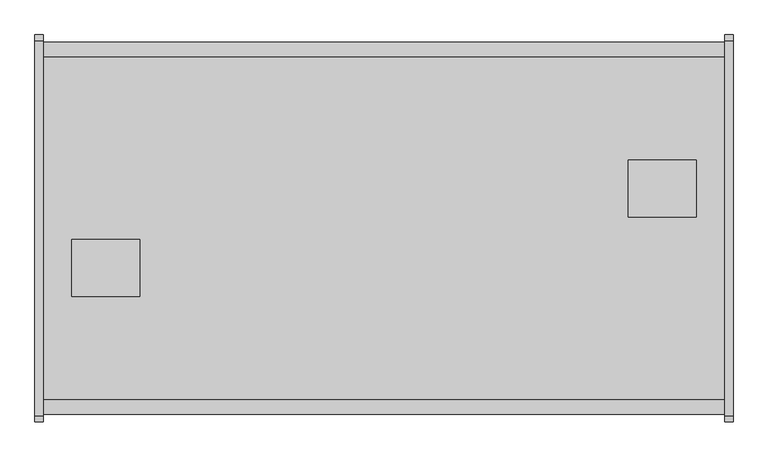
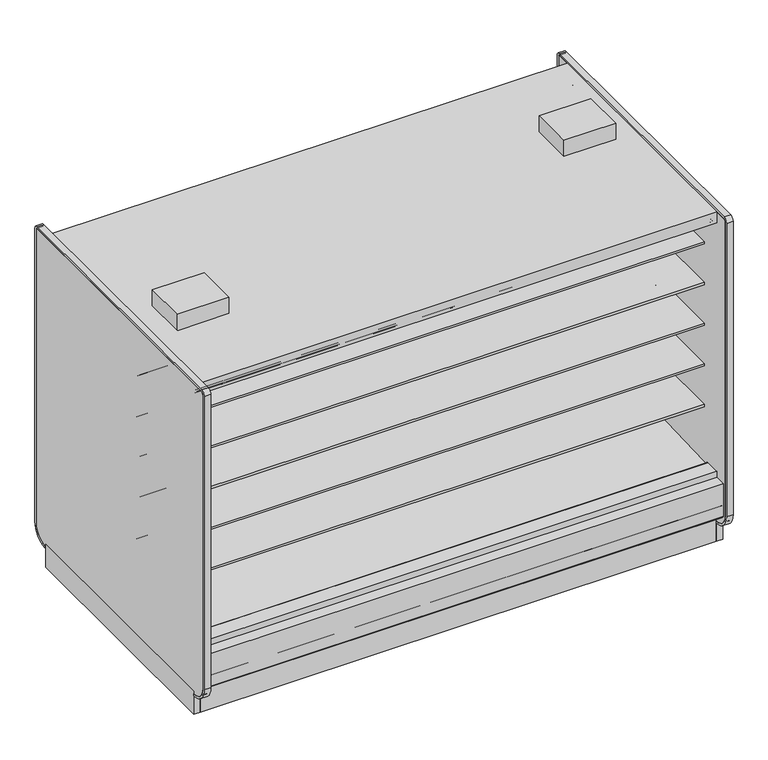
"""IFC4 building model written with IfcOpenShell, lengths in millimetres: proxy geometry."""

from ifc_helpers import new_model, si_unit, point, frame, frame_2d, origin, origin_with_axes, place, context, project, spatial, polyline, circle_curve, trimmed, segment, composite_curve, outline, extrude, source, transform, mapped, element, save
from ifc_brep_helpers import plane_surface, revolved_surface, advanced_brep


def mechanical_equipment_5fd1e4ba(model_context):
    return source(origin(), model_context, "Body", "SolidModel", [
        extrude(outline(polyline([(0.0, -55.2269619), (0.0, 0.0), (3048.0, 0.0), (3048.0, -55.2269619), (0.0, -55.2269619)])), frame((3048.0, 269.4010876, 1960.5227388), z_axis=(0.0, -0.08121412725315148, 0.9966966767951566), x_axis=(-1.0, 0.0, 0.0)), (0.0, 0.0, 1.0), 9.7968943),
        extrude(outline(polyline([(0.0, -55.226962), (0.0, 0.0), (3048.0, 0.0), (3048.0, -55.226962), (0.0, -55.226962)])), frame((3048.0, -1070.8468716, 1965.0079483), z_axis=(0.0, 0.08121412725315148, 0.9966966767951566), x_axis=(-1.0, 0.0, 0.0)), (0.0, 0.0, 1.0), 9.7968943),
        extrude(outline(polyline([(-1113.7914467, 0.0), (-1132.0256273, 0.0), (-1132.0256273, 208.2950835), (-1113.7914467, 192.9947894), (-1113.7914467, 0.0)])), frame((0.0, 0.0, 0.0), z_axis=(1.0, 0.0, 0.0), x_axis=(0.0, 1.0, 0.0)), (0.0, 0.0, 1.0), 3048.0),
        extrude(outline(polyline([(367.3901921, 0.0), (367.3901921, 192.9947894), (385.6243727, 208.2950835), (385.6243727, 0.0), (367.3901921, 0.0)])), frame((0.0, 0.0, 0.0), z_axis=(1.0, 0.0, 0.0), x_axis=(0.0, 1.0, 0.0)), (0.0, 0.0, 1.0), 3048.0),
        extrude(outline(composite_curve([segment(polyline([(-292.5492106, 1191.008004), (-292.5492106, 1291.8182795), (266.2507894, 1291.8182795), (266.2507894, 1278.3245295), (145.7947875, 1278.3245295), (145.7947875, 1274.0402031), (-193.6128858, 1241.429713)]), True, "CONTINUOUS"), segment(trimmed(circle_curve(frame_2d((-186.7598764, 1178.3005893)), 63.5), [point((-193.6128858, 1241.429713))], [point((-226.8243495, 1227.5660741))], True, "CARTESIAN"), True, "CONTINUOUS"), segment(polyline([(-226.8243495, 1227.5660741), (-265.0460501, 1196.4828055)]), True, "CONTINUOUS"), segment(trimmed(circle_curve(frame_2d((-280.9533727, 1215.8477147)), 25.0607786), [point((-265.0460501, 1196.4828055))], [point((-281.4413184, 1190.7916869))], False, "CARTESIAN"), True, "CONTINUOUS"), segment(polyline([(-281.4413184, 1190.7916869), (-292.5492106, 1191.008004)]), True, "CONTINUOUS")], self_intersect=False)), frame((0.0, 0.0, 0.0), z_axis=(1.0, 0.0, 0.0), x_axis=(0.0, 1.0, 0.0)), (0.0, 0.0, 1.0), 3048.0),
        extrude(outline(composite_curve([segment(polyline([(-292.5492106, 1699.008004), (-292.5492106, 1799.8182795), (266.2507894, 1799.8182795), (266.2507894, 1786.3245295), (145.7947875, 1786.3245295), (145.7947875, 1782.0402031), (-193.6128858, 1749.429713)]), True, "CONTINUOUS"), segment(trimmed(circle_curve(frame_2d((-186.7598764, 1686.3005893)), 63.5), [point((-193.6128858, 1749.429713))], [point((-226.8243495, 1735.5660741))], True, "CARTESIAN"), True, "CONTINUOUS"), segment(polyline([(-226.8243495, 1735.5660741), (-265.0460501, 1704.4828055)]), True, "CONTINUOUS"), segment(trimmed(circle_curve(frame_2d((-280.9533727, 1723.8477147)), 25.0607786), [point((-265.0460501, 1704.4828055))], [point((-281.4413184, 1698.7916869))], False, "CARTESIAN"), True, "CONTINUOUS"), segment(polyline([(-281.4413184, 1698.7916869), (-292.5492106, 1699.008004)]), True, "CONTINUOUS")], self_intersect=False)), frame((0.0, 0.0, 0.0), z_axis=(1.0, 0.0, 0.0), x_axis=(0.0, 1.0, 0.0)), (0.0, 0.0, 1.0), 3048.0),
        extrude(outline(composite_curve([segment(polyline([(-292.5492106, 937.4028663), (-292.5492106, 1038.2131418), (266.2507894, 1038.2131418), (266.2507894, 1024.7193918), (145.7947875, 1024.7193918), (145.7947875, 1020.4350654), (-193.6128858, 987.8245753)]), True, "CONTINUOUS"), segment(trimmed(circle_curve(frame_2d((-186.7598764, 924.6954515)), 63.5), [point((-193.6128858, 987.8245753))], [point((-226.8243495, 973.9609363))], True, "CARTESIAN"), True, "CONTINUOUS"), segment(polyline([(-226.8243495, 973.9609363), (-265.0460501, 942.8776678)]), True, "CONTINUOUS"), segment(trimmed(circle_curve(frame_2d((-280.9533727, 962.242577)), 25.0607786), [point((-265.0460501, 942.8776678))], [point((-281.4413184, 937.1865491))], False, "CARTESIAN"), True, "CONTINUOUS"), segment(polyline([(-281.4413184, 937.1865491), (-292.5492106, 937.4028663)]), True, "CONTINUOUS")], self_intersect=False)), frame((0.0, 0.0, 0.0), z_axis=(1.0, 0.0, 0.0), x_axis=(0.0, 1.0, 0.0)), (0.0, 0.0, 1.0), 3048.0),
        extrude(outline(composite_curve([segment(polyline([(-292.5492106, 1445.008004), (-292.5492106, 1545.8182795), (266.2507894, 1545.8182795), (266.2507894, 1532.3245295), (145.7947875, 1532.3245295), (145.7947875, 1528.0402031), (-193.6128858, 1495.429713)]), True, "CONTINUOUS"), segment(trimmed(circle_curve(frame_2d((-186.7598764, 1432.3005893)), 63.5), [point((-193.6128858, 1495.429713))], [point((-226.8243495, 1481.5660741))], True, "CARTESIAN"), True, "CONTINUOUS"), segment(polyline([(-226.8243495, 1481.5660741), (-265.0460501, 1450.4828055)]), True, "CONTINUOUS"), segment(trimmed(circle_curve(frame_2d((-280.9533727, 1469.8477147)), 25.0607786), [point((-265.0460501, 1450.4828055))], [point((-281.4413184, 1444.7916869))], False, "CARTESIAN"), True, "CONTINUOUS"), segment(polyline([(-281.4413184, 1444.7916869), (-292.5492106, 1445.008004)]), True, "CONTINUOUS")], self_intersect=False)), frame((0.0, 0.0, 0.0), z_axis=(1.0, 0.0, 0.0), x_axis=(0.0, 1.0, 0.0)), (0.0, 0.0, 1.0), 3048.0),
        extrude(outline(composite_curve([segment(polyline([(-292.5492106, 683.008004), (-292.5492106, 783.8182795), (266.2507894, 783.8182795), (266.2507894, 770.3245295), (145.7947875, 770.3245295), (145.7947875, 766.0402031), (-193.6128858, 733.429713)]), True, "CONTINUOUS"), segment(trimmed(circle_curve(frame_2d((-186.7598764, 670.3005893)), 63.5), [point((-193.6128858, 733.429713))], [point((-226.8243495, 719.5660741))], True, "CARTESIAN"), True, "CONTINUOUS"), segment(polyline([(-226.8243495, 719.5660741), (-265.0460501, 688.4828055)]), True, "CONTINUOUS"), segment(trimmed(circle_curve(frame_2d((-280.9533727, 707.8477147)), 25.0607786), [point((-265.0460501, 688.4828055))], [point((-281.4413184, 682.7916869))], False, "CARTESIAN"), True, "CONTINUOUS"), segment(polyline([(-281.4413184, 682.7916869), (-292.5492106, 683.008004)]), True, "CONTINUOUS")], self_intersect=False)), frame((0.0, 0.0, 0.0), z_axis=(1.0, 0.0, 0.0), x_axis=(0.0, 1.0, 0.0)), (0.0, 0.0, 1.0), 3048.0),
        extrude(outline(composite_curve([segment(polyline([(-453.852044, 1191.008004), (-464.9599362, 1190.7916869)]), True, "CONTINUOUS"), segment(trimmed(circle_curve(frame_2d((-465.4478819, 1215.8477147)), 25.0607786), [point((-464.9599362, 1190.7916869))], [point((-481.3552045, 1196.4828055))], False, "CARTESIAN"), True, "CONTINUOUS"), segment(polyline([(-481.3552045, 1196.4828055), (-519.5769051, 1227.5660741)]), True, "CONTINUOUS"), segment(trimmed(circle_curve(frame_2d((-559.6413782, 1178.3005893)), 63.5), [point((-519.5769051, 1227.5660741))], [point((-552.7883688, 1241.429713))], True, "CARTESIAN"), True, "CONTINUOUS"), segment(polyline([(-552.7883688, 1241.429713), (-892.1960421, 1274.0402031), (-892.1960421, 1278.3245295), (-1012.652044, 1278.3245295), (-1012.652044, 1291.8182795), (-453.852044, 1291.8182795), (-453.852044, 1191.008004)]), True, "CONTINUOUS")], self_intersect=False)), frame((0.0, 0.0, 0.0), z_axis=(1.0, 0.0, 0.0), x_axis=(0.0, 1.0, 0.0)), (0.0, 0.0, 1.0), 3048.0),
        extrude(outline(composite_curve([segment(polyline([(-453.852044, 1699.008004), (-464.9599362, 1698.7916869)]), True, "CONTINUOUS"), segment(trimmed(circle_curve(frame_2d((-465.4478819, 1723.8477147)), 25.0607786), [point((-464.9599362, 1698.7916869))], [point((-481.3552045, 1704.4828055))], False, "CARTESIAN"), True, "CONTINUOUS"), segment(polyline([(-481.3552045, 1704.4828055), (-519.5769051, 1735.5660741)]), True, "CONTINUOUS"), segment(trimmed(circle_curve(frame_2d((-559.6413782, 1686.3005893)), 63.5), [point((-519.5769051, 1735.5660741))], [point((-552.7883688, 1749.429713))], True, "CARTESIAN"), True, "CONTINUOUS"), segment(polyline([(-552.7883688, 1749.429713), (-892.1960421, 1782.0402031), (-892.1960421, 1786.3245295), (-1012.652044, 1786.3245295), (-1012.652044, 1799.8182795), (-453.852044, 1799.8182795), (-453.852044, 1699.008004)]), True, "CONTINUOUS")], self_intersect=False)), frame((0.0, 0.0, 0.0), z_axis=(1.0, 0.0, 0.0), x_axis=(0.0, 1.0, 0.0)), (0.0, 0.0, 1.0), 3048.0),
        extrude(outline(composite_curve([segment(polyline([(-453.852044, 937.4028663), (-464.9599362, 937.1865491)]), True, "CONTINUOUS"), segment(trimmed(circle_curve(frame_2d((-465.4478819, 962.242577)), 25.0607786), [point((-464.9599362, 937.1865491))], [point((-481.3552045, 942.8776678))], False, "CARTESIAN"), True, "CONTINUOUS"), segment(polyline([(-481.3552045, 942.8776678), (-519.5769051, 973.9609363)]), True, "CONTINUOUS"), segment(trimmed(circle_curve(frame_2d((-559.6413782, 924.6954515)), 63.5), [point((-519.5769051, 973.9609363))], [point((-552.7883688, 987.8245753))], True, "CARTESIAN"), True, "CONTINUOUS"), segment(polyline([(-552.7883688, 987.8245753), (-892.1960421, 1020.4350654), (-892.1960421, 1024.7193918), (-1012.652044, 1024.7193918), (-1012.652044, 1038.2131418), (-453.852044, 1038.2131418), (-453.852044, 937.4028663)]), True, "CONTINUOUS")], self_intersect=False)), frame((0.0, 0.0, 0.0), z_axis=(1.0, 0.0, 0.0), x_axis=(0.0, 1.0, 0.0)), (0.0, 0.0, 1.0), 3048.0),
        extrude(outline(composite_curve([segment(polyline([(-453.852044, 1445.008004), (-464.9599362, 1444.7916869)]), True, "CONTINUOUS"), segment(trimmed(circle_curve(frame_2d((-465.4478819, 1469.8477147)), 25.0607786), [point((-464.9599362, 1444.7916869))], [point((-481.3552045, 1450.4828055))], False, "CARTESIAN"), True, "CONTINUOUS"), segment(polyline([(-481.3552045, 1450.4828055), (-519.5769051, 1481.5660741)]), True, "CONTINUOUS"), segment(trimmed(circle_curve(frame_2d((-559.6413782, 1432.3005893)), 63.5), [point((-519.5769051, 1481.5660741))], [point((-552.7883688, 1495.429713))], True, "CARTESIAN"), True, "CONTINUOUS"), segment(polyline([(-552.7883688, 1495.429713), (-892.1960421, 1528.0402031), (-892.1960421, 1532.3245295), (-1012.652044, 1532.3245295), (-1012.652044, 1545.8182795), (-453.852044, 1545.8182795), (-453.852044, 1445.008004)]), True, "CONTINUOUS")], self_intersect=False)), frame((0.0, 0.0, 0.0), z_axis=(1.0, 0.0, 0.0), x_axis=(0.0, 1.0, 0.0)), (0.0, 0.0, 1.0), 3048.0),
        extrude(outline(polyline([(127.0, -678.0076294), (127.0, -424.0076294), (431.8, -424.0076294), (431.8, -678.0076294), (127.0, -678.0076294)])), frame((0.0, 0.0, 2064.6129579), z_axis=(0.0, 0.0, 1.0), x_axis=(1.0, 0.0, 0.0)), (0.0, 0.0, 1.0), 100.3101563),
        extrude(outline(polyline([(2921.0, -68.4076294), (2921.0, -322.4076294), (2616.2, -322.4076294), (2616.2, -68.4076294), (2921.0, -68.4076294)])), frame((0.0, 0.0, 2064.6129579), z_axis=(0.0, 0.0, 1.0), x_axis=(1.0, 0.0, 0.0)), (0.0, 0.0, 1.0), 100.3101563),
        extrude(outline(composite_curve([segment(polyline([(-113.5046773, 1969.4201079), (-292.5492106, 1969.4201079), (-292.5492106, 445.9092331), (-344.0537782, 445.9092331), (-344.0537782, 1994.8201079), (357.6691327, 1994.8201079), (357.6691327, 1988.6654182)]), True, "CONTINUOUS"), segment(trimmed(circle_curve(frame_2d((355.1291327, 1988.6654182)), 2.54), [point((357.6691327, 1988.6654182))], [point((355.1291327, 1986.1254182))], False, "CARTESIAN"), True, "CONTINUOUS"), segment(polyline([(355.1291327, 1986.1254182), (341.1591327, 1986.1254182)]), True, "CONTINUOUS"), segment(trimmed(circle_curve(frame_2d((341.1591327, 1983.5854182)), 2.54), [point((341.1591327, 1986.1254182))], [point((338.6191327, 1983.5854182))], True, "CARTESIAN"), True, "CONTINUOUS"), segment(polyline([(338.6191327, 1983.5854182), (338.6191327, 1967.9723079)]), True, "CONTINUOUS"), segment(trimmed(circle_curve(frame_2d((336.0791327, 1967.9723079)), 2.54), [point((338.6191327, 1967.9723079))], [point((336.0791327, 1965.4323079))], False, "CARTESIAN"), True, "CONTINUOUS"), segment(polyline([(336.0791327, 1965.4323079), (326.8589327, 1965.4323079)]), True, "CONTINUOUS"), segment(trimmed(circle_curve(frame_2d((326.8589327, 1967.9723079)), 2.54), [point((326.8589327, 1965.4323079))], [point((324.3189327, 1967.9723079))], False, "CARTESIAN"), True, "CONTINUOUS"), segment(polyline([(324.3189327, 1967.9723079), (324.3189327, 1975.6233702), (268.3517007, 1971.0629758), (268.3793925, 1969.4201079), (-113.5046773, 1969.4201079)]), True, "CONTINUOUS")], self_intersect=False)), frame((0.0, 0.0, 0.0), z_axis=(1.0, 0.0, 0.0), x_axis=(0.0, 1.0, 0.0)), (0.0, 0.0, 1.0), 3048.0),
        extrude(outline(composite_curve([segment(polyline([(-292.5492106, 445.9092331), (298.0007894, 423.8521774), (298.0007894, 439.1279)]), True, "CONTINUOUS"), segment(trimmed(circle_curve(frame_2d((300.0581894, 439.1279)), 2.0574), [point((298.0007894, 439.1279))], [point((300.0581894, 441.1853))], False, "CARTESIAN"), True, "CONTINUOUS"), segment(polyline([(300.0581894, 441.1853), (392.3576928, 441.1853), (392.3576928, 284.6079278), (278.9642261, 189.4595117), (263.4186894, 190.0023738), (218.0664947, 157.1934642), (153.5641842, 159.4459345), (113.4809582, 192.9404113), (-344.0537782, 220.4377575), (-344.0537782, 445.9092331), (-292.5492106, 445.9092331)]), True, "CONTINUOUS")], self_intersect=False)), frame((0.0, 0.0, 0.0), z_axis=(1.0, 0.0, 0.0), x_axis=(0.0, 1.0, 0.0)), (0.0, 0.0, 1.0), 3048.0),
        extrude(outline(composite_curve([segment(polyline([(-453.852044, 683.008004), (-464.9599362, 682.7916869)]), True, "CONTINUOUS"), segment(trimmed(circle_curve(frame_2d((-465.4478819, 707.8477147)), 25.0607786), [point((-464.9599362, 682.7916869))], [point((-481.3552045, 688.4828055))], False, "CARTESIAN"), True, "CONTINUOUS"), segment(polyline([(-481.3552045, 688.4828055), (-519.5769051, 719.5660741)]), True, "CONTINUOUS"), segment(trimmed(circle_curve(frame_2d((-559.6413782, 670.3005893)), 63.5), [point((-519.5769051, 719.5660741))], [point((-552.7883688, 733.429713))], True, "CARTESIAN"), True, "CONTINUOUS"), segment(polyline([(-552.7883688, 733.429713), (-892.1960421, 766.0402031), (-892.1960421, 770.3245295), (-1012.652044, 770.3245295), (-1012.652044, 783.8182795), (-453.852044, 783.8182795), (-453.852044, 683.008004)]), True, "CONTINUOUS")], self_intersect=False)), frame((0.0, 0.0, 0.0), z_axis=(1.0, 0.0, 0.0), x_axis=(0.0, 1.0, 0.0)), (0.0, 0.0, 1.0), 3048.0),
        extrude(outline(composite_curve([segment(trimmed(circle_curve(frame_2d((-1200.2881273, 201.3982889)), 6.35), [point((-1197.1139382, 195.8985595))], [point((-1206.6381273, 201.3982889))], False, "CARTESIAN"), True, "CONTINUOUS"), segment(polyline([(-1206.6381273, 201.3982889), (-1206.6381273, 404.6728), (-1138.7589474, 404.6728), (-1138.7589474, 391.9982), (-1189.8487273, 391.9982), (-1189.8487273, 256.8144254), (-1149.7974725, 223.2074323), (-1197.1139382, 195.8985595)]), True, "CONTINUOUS")], self_intersect=False)), frame((0.0, 0.0, 0.0), z_axis=(1.0, 0.0, 0.0), x_axis=(0.0, 1.0, 0.0)), (0.0, 0.0, 1.0), 3048.0),
        extrude(outline(composite_curve([segment(polyline([(450.7126836, 195.8985595), (403.3962179, 223.2074323), (443.4474727, 256.8144254), (443.4474727, 391.9982), (392.3576928, 391.9982), (392.3576928, 404.6728), (460.2368727, 404.6728), (460.2368727, 201.3982889)]), True, "CONTINUOUS"), segment(trimmed(circle_curve(frame_2d((453.8868727, 201.3982889)), 6.35), [point((460.2368727, 201.3982889))], [point((450.7126836, 195.8985595))], False, "CARTESIAN"), True, "CONTINUOUS")], self_intersect=False)), frame((0.0, 0.0, 0.0), z_axis=(1.0, 0.0, 0.0), x_axis=(0.0, 1.0, 0.0)), (0.0, 0.0, 1.0), 3048.0),
        extrude(outline(polyline([(-1039.3495247, 130.5306), (-1189.8487273, 256.8144254), (-1189.8487273, 391.9982), (-1138.7589474, 391.9982), (-1138.7589474, 284.6079278), (-1025.3654807, 189.4595117), (-1009.819944, 190.0023738), (-964.4677493, 157.1934642), (-899.9654388, 159.4459345), (-859.8822128, 192.9404113), (-402.3474764, 220.4377575), (-402.3474764, 1994.8201079), (-1138.7589474, 1994.8201079), (-1138.7589474, 2063.8192079), (392.3576928, 2063.8192079), (392.3576928, 1994.8201079), (-344.0537782, 1994.8201079), (-344.0537782, 220.4377575), (113.4809582, 192.9404113), (153.5641842, 159.4459345), (218.0664947, 157.1934642), (263.4186894, 190.0023738), (278.9642261, 189.4595117), (392.3576928, 284.6079278), (392.3576928, 391.9982), (443.4474727, 391.9982), (443.4474727, 256.8144254), (292.9482701, 130.5306), (-1039.3495247, 130.5306)])), frame((0.0, 0.0, 0.0), z_axis=(1.0, 0.0, 0.0), x_axis=(0.0, 1.0, 0.0)), (0.0, 0.0, 1.0), 3048.0),
        extrude(outline(composite_curve([segment(polyline([(-632.8965773, 1969.4201079), (-1014.7806471, 1969.4201079), (-1014.7529553, 1971.0629758), (-1070.7201873, 1975.6233702), (-1070.7201873, 1967.9723079)]), True, "CONTINUOUS"), segment(trimmed(circle_curve(frame_2d((-1073.2601873, 1967.9723079)), 2.54), [point((-1070.7201873, 1967.9723079))], [point((-1073.2601873, 1965.4323079))], False, "CARTESIAN"), True, "CONTINUOUS"), segment(polyline([(-1073.2601873, 1965.4323079), (-1082.4803873, 1965.4323079)]), True, "CONTINUOUS"), segment(trimmed(circle_curve(frame_2d((-1082.4803873, 1967.9723079)), 2.54), [point((-1082.4803873, 1965.4323079))], [point((-1085.0203873, 1967.9723079))], False, "CARTESIAN"), True, "CONTINUOUS"), segment(polyline([(-1085.0203873, 1967.9723079), (-1085.0203873, 1983.3544856)]), True, "CONTINUOUS"), segment(trimmed(circle_curve(frame_2d((-1087.5603873, 1983.3544856)), 2.54), [point((-1085.0203873, 1983.3544856))], [point((-1087.5603873, 1985.8944856))], True, "CARTESIAN"), True, "CONTINUOUS"), segment(polyline([(-1087.5603873, 1985.8944856), (-1101.5303873, 1985.8944856)]), True, "CONTINUOUS"), segment(trimmed(circle_curve(frame_2d((-1101.5303873, 1988.4344856)), 2.54), [point((-1101.5303873, 1985.8944856))], [point((-1104.0703873, 1988.4344856))], False, "CARTESIAN"), True, "CONTINUOUS"), segment(polyline([(-1104.0703873, 1988.4344856), (-1104.0703873, 1994.8201079), (-402.3474764, 1994.8201079), (-402.3474764, 445.9092331), (-453.852044, 445.9092331), (-453.852044, 1969.4201079), (-632.8965773, 1969.4201079)]), True, "CONTINUOUS")], self_intersect=False)), frame((0.0, 0.0, 0.0), z_axis=(1.0, 0.0, 0.0), x_axis=(0.0, 1.0, 0.0)), (0.0, 0.0, 1.0), 3048.0),
        advanced_brep(
        [(3048.0, -1113.7914467, 192.9947894), (3048.0, -1113.7914467, 0.0), (3048.0, -967.2684832, 0.0), (3048.0, -967.2684832, 130.5306), (3048.0, -1039.3495247, 130.5306), (0.0, -1113.7914467, 192.9947894), (0.0, -1039.3495247, 130.5306), (0.0, -967.2684832, 130.5306), (0.0, -967.2684832, 0.0), (0.0, -1113.7914467, 0.0), (245.6409893, -1113.7914467, 0.0), (245.6409893, -1113.7914467, 50.8), (466.3154811, -1113.7914467, 50.8), (466.3154811, -1113.7914467, 0.0), (466.3154811, -1038.8597182, 0.0), (245.6409893, -1038.8597182, 0.0), (1483.6679654, -967.2684832, 0.0), (1564.3320346, -967.2684832, 0.0), (2784.7614416, -967.2684832, 0.0), (2869.9135584, -967.2684832, 0.0), (2869.9135584, -967.2684832, 127.0), (2784.7614416, -967.2684832, 127.0), (1564.3320346, -967.2684832, 127.0), (1483.6679654, -967.2684832, 127.0), (466.3154811, -1038.8597182, 50.8), (245.6409893, -1038.8597182, 50.8)],
        [
            (0, 1),
            (1, 2),
            (2, 3),
            (3, 4),
            (4, 0),
            (5, 6),
            (6, 7),
            (7, 8),
            (8, 9),
            (9, 5),
            (0, 5),
            (9, 10),
            (10, 11),
            (11, 12),
            (12, 13),
            (13, 1),
            (13, 14),
            (14, 15),
            (15, 10),
            (8, 16),
            (16, 17, circle_curve(frame((1524.0, -936.3821273, 0.0), z_axis=(0.0, 0.0, 1.0), x_axis=(1.0, 0.0, 0.0)), 50.8)),
            (17, 18),
            (18, 19, circle_curve(frame((2827.3375, -939.5571273, 0.0), z_axis=(0.0, 0.0, 1.0), x_axis=(1.0, 0.0, 0.0)), 50.8)),
            (19, 2),
            (19, 20),
            (20, 21),
            (21, 18),
            (17, 22),
            (22, 23),
            (23, 16),
            (7, 3),
            (6, 4),
            (12, 24),
            (24, 14),
            (15, 25),
            (25, 11),
            (24, 25),
            (22, 23, circle_curve(frame((1524.0, -936.3821273, 127.0), z_axis=(0.0, 0.0, -1.0), x_axis=(1.0, 0.0, 0.0)), 50.8)),
            (20, 21, circle_curve(frame((2827.3375, -939.5571273, 127.0), z_axis=(0.0, 0.0, -1.0), x_axis=(1.0, 0.0, 0.0)), 50.8)),
        ],
        [
            plane_surface(frame((3048.0, -1113.7914467, 0.0), z_axis=(1.0, 0.0, 0.0), x_axis=(0.0, 0.0, -1.0))),
            plane_surface(frame((0.0, -1113.7914467, 0.0), z_axis=(-1.0, 0.0, 0.0), x_axis=(0.0, 0.0, 1.0))),
            plane_surface(frame((3048.0, -1113.7914467, 192.9947894), z_axis=(0.0, -1.0, 0.0), x_axis=(-1.0, 0.0, 0.0))),
            plane_surface(frame((3048.0, -1113.7914467, 0.0), z_axis=(0.0, 0.0, -1.0), x_axis=(-1.0, 0.0, 0.0))),
            plane_surface(frame((3048.0, -967.2684832, 0.0), z_axis=(0.0, 1.0, 0.0), x_axis=(-1.0, 0.0, 0.0))),
            plane_surface(frame((3048.0, -967.2684832, 130.5306), z_axis=(0.0, 0.0, 1.0), x_axis=(-1.0, 0.0, 0.0))),
            plane_surface(frame((3048.0, -1039.3495247, 130.5306), z_axis=(0.0, 0.6427876096877102, 0.7660444431179956), x_axis=(-1.0, 0.0, 0.0))),
            plane_surface(frame((466.3154811, -1038.8597182, 0.0), z_axis=(-1.0, 0.0, 0.0), x_axis=(0.0, 1.0, 0.0))),
            plane_surface(frame((245.6409893, -1038.8597182, 0.0), z_axis=(1.0, 0.0, 0.0), x_axis=(0.0, -1.0, 0.0))),
            plane_surface(frame((466.3154811, -1038.8597182, 0.0), z_axis=(0.0, -1.0, 0.0), x_axis=(-1.0, 0.0, 0.0))),
            plane_surface(frame((466.3154811, -1038.8597182, 50.8), z_axis=(0.0, 0.0, -1.0), x_axis=(-1.0, 0.0, 0.0))),
            plane_surface(frame((1574.8, -936.3821273, 127.0), z_axis=(0.0, 0.0, -1.0), x_axis=(0.0, 1.0, 0.0))),
            revolved_surface(polyline([(1574.8, -936.3821273, 127.0), (1574.8, -936.3821273, 0.0)]), (1524.0, -936.3821273, 0.0), (0.0, 0.0, 1.0)),
            plane_surface(frame((2878.1375, -939.5571273, 127.0), z_axis=(0.0, 0.0, -1.0), x_axis=(0.0, 1.0, 0.0))),
            revolved_surface(polyline([(2878.1375000000003, -939.5571273, 127.0), (2878.1375000000003, -939.5571273, 0.0)]), (2827.3375, -939.5571273, 0.0), (0.0, 0.0, 1.0)),
        ],
        [
            (0, [[1, 2, 3, 4, 5]]),
            (1, [[6, 7, 8, 9, 10]]),
            (2, [[-1, 11, -10, 12, 13, 14, 15, 16]]),
            (3, [[-2, -16, 17, 18, 19, -12, -9, 20, 21, 22, 23, 24]]),
            (4, [[-3, -24, 25, 26, 27, -22, 28, 29, 30, -20, -8, 31]]),
            (5, [[-4, -31, -7, 32]]),
            (6, [[-5, -32, -6, -11]]),
            (7, [[33, 34, -17, -15]]),
            (8, [[35, 36, -13, -19]]),
            (9, [[-34, 37, -35, -18]]),
            (10, [[-33, -14, -36, -37]]),
            (11, [[38, -29]]),
            (12, [[-38, -28, -21, -30]]),
            (13, [[39, -26]]),
            (14, [[-39, -25, -23, -27]]),
        ],
    ),
        advanced_brep(
        [(3048.0, 367.3901921, 192.9947894), (3048.0, 292.9482701, 130.5306), (3048.0, 220.8672286, 130.5306), (3048.0, 220.8672286, 0.0), (3048.0, 367.3901921, 0.0), (0.0, 367.3901921, 192.9947894), (0.0, 367.3901921, 0.0), (0.0, 220.8672286, 0.0), (0.0, 220.8672286, 130.5306), (0.0, 292.9482701, 130.5306), (2040.3590107, 367.3901921, 50.8), (2040.3590107, 292.4584636, 50.8), (1819.6845189, 292.4584636, 50.8), (1819.6845189, 367.3901921, 50.8), (1819.6845189, 292.4584636, 0.0), (1819.6845189, 367.3901921, 0.0), (2040.3590107, 292.4584636, 0.0), (2040.3590107, 367.3901921, 0.0), (178.0864416, 220.8672286, 127.0), (263.2385584, 220.8672286, 127.0), (178.0864416, 220.8672286, 0.0), (263.2385584, 220.8672286, 0.0), (1483.6679654, 220.8672286, 127.0), (1564.3320346, 220.8672286, 127.0), (1483.6679654, 220.8672286, 0.0), (1564.3320346, 220.8672286, 0.0)],
        [
            (0, 1),
            (1, 2),
            (2, 3),
            (3, 4),
            (4, 0),
            (5, 6),
            (6, 7),
            (7, 8),
            (8, 9),
            (9, 5),
            (10, 11),
            (11, 12),
            (12, 13),
            (13, 10),
            (12, 14),
            (14, 15),
            (15, 13),
            (11, 16),
            (16, 14),
            (10, 17),
            (17, 16),
            (18, 19, circle_curve(frame((220.6625, 193.1558727, 127.0), z_axis=(0.0, 0.0, -1.0), x_axis=(-1.0, 0.0, 0.0)), 50.8)),
            (19, 18),
            (18, 20),
            (20, 21, circle_curve(frame((220.6625, 193.1558727, 0.0), z_axis=(0.0, 0.0, -1.0), x_axis=(-1.0, 0.0, 0.0)), 50.8)),
            (21, 19),
            (22, 23, circle_curve(frame((1524.0, 189.9808727, 127.0), z_axis=(0.0, 0.0, -1.0), x_axis=(1.0, 0.0, 0.0)), 50.8)),
            (23, 22),
            (22, 24),
            (24, 25, circle_curve(frame((1524.0, 189.9808727, 0.0), z_axis=(0.0, 0.0, -1.0), x_axis=(1.0, 0.0, 0.0)), 50.8)),
            (25, 23),
            (0, 5),
            (9, 1),
            (8, 2),
            (7, 20),
            (21, 24),
            (25, 3),
            (6, 15),
            (17, 4),
        ],
        [
            plane_surface(frame((3048.0, -1113.7914467, 0.0), z_axis=(1.0, 0.0, 0.0), x_axis=(0.0, 0.0, -1.0))),
            plane_surface(frame((0.0, -1113.7914467, 0.0), z_axis=(-1.0, 0.0, 0.0), x_axis=(0.0, 0.0, 1.0))),
            plane_surface(frame((1819.6845189, 367.3901921, 50.8), z_axis=(0.0, 0.0, -1.0), x_axis=(0.0, -1.0, 0.0))),
            plane_surface(frame((1819.6845189, 367.3901921, 50.8), z_axis=(1.0, 0.0, 0.0), x_axis=(0.0, 0.0, -1.0))),
            plane_surface(frame((1819.6845189, 292.4584636, 50.8), z_axis=(0.0, 1.0, 0.0), x_axis=(0.0, 0.0, -1.0))),
            plane_surface(frame((2040.3590107, 292.4584636, 50.8), z_axis=(-1.0, 0.0, 0.0), x_axis=(0.0, 0.0, -1.0))),
            plane_surface(frame((169.8625, 193.1558727, 127.0), z_axis=(0.0, 0.0, -1.0), x_axis=(0.0, -1.0, 0.0))),
            revolved_surface(polyline([(169.8625, 193.1558727, 127.0), (169.8625, 193.1558727, 0.0)]), (220.6625, 193.1558727, 0.0), (0.0, 0.0, 1.0)),
            plane_surface(frame((1574.8, 189.9808727, 127.0), z_axis=(0.0, 0.0, -1.0), x_axis=(0.0, 1.0, 0.0))),
            revolved_surface(polyline([(1574.8, 189.9808727, 127.0), (1574.8, 189.9808727, 0.0)]), (1524.0, 189.9808727, 0.0), (0.0, 0.0, 1.0)),
            plane_surface(frame((3048.0, 367.3901921, 192.9947894), z_axis=(0.0, -0.6427876096877103, 0.7660444431179955), x_axis=(-1.0, 0.0, 0.0))),
            plane_surface(frame((3048.0, 292.9482701, 130.5306), z_axis=(0.0, 0.0, 1.0), x_axis=(-1.0, 0.0, 0.0))),
            plane_surface(frame((3048.0, 220.8672286, 130.5306), z_axis=(0.0, -1.0, 0.0), x_axis=(-1.0, 0.0, 0.0))),
            plane_surface(frame((3048.0, 220.8672286, 0.0), z_axis=(0.0, 0.0, -1.0), x_axis=(-1.0, 0.0, 0.0))),
            plane_surface(frame((3048.0, 367.3901921, 0.0), z_axis=(0.0, 1.0, 0.0), x_axis=(-1.0, 0.0, 0.0))),
        ],
        [
            (0, [[1, 2, 3, 4, 5]]),
            (1, [[6, 7, 8, 9, 10]]),
            (2, [[11, 12, 13, 14]]),
            (3, [[-13, 15, 16, 17]]),
            (4, [[-12, 18, 19, -15]]),
            (5, [[-11, 20, 21, -18]]),
            (6, [[22, 23]]),
            (7, [[-22, 24, 25, 26]]),
            (8, [[27, 28]]),
            (9, [[-27, 29, 30, 31]]),
            (10, [[-1, 32, -10, 33]]),
            (11, [[-2, -33, -9, 34]]),
            (12, [[-3, -34, -8, 35, -24, -23, -26, 36, -29, -28, -31, 37]]),
            (13, [[-4, -37, -30, -36, -25, -35, -7, 38, -16, -19, -21, 39]]),
            (14, [[-5, -39, -20, -14, -17, -38, -6, -32]]),
        ],
    ),
        advanced_brep(
        [(3048.0, -967.2684832, 0.0), (3048.0, -921.3326273, 0.0), (3048.0, -921.3326273, 74.8810382), (3048.0, 174.9313727, 74.8810382), (3048.0, 174.9313727, 0.0), (3048.0, 220.8672286, 0.0), (3048.0, 220.8672286, 130.5306), (3048.0, -967.2684832, 130.5306), (0.0, -967.2684832, 0.0), (0.0, -967.2684832, 130.5306), (0.0, 220.8672286, 130.5306), (0.0, 220.8672286, 0.0), (0.0, 174.9313727, 0.0), (0.0, 174.9313727, 74.8810382), (0.0, -921.3326273, 74.8810382), (0.0, -921.3326273, 0.0), (1483.6679654, -967.2684832, 0.0), (1483.6679654, -967.2684832, 127.0), (1564.3320346, -967.2684832, 127.0), (1564.3320346, -967.2684832, 0.0), (2784.7614416, -967.2684832, 0.0), (2784.7614416, -967.2684832, 127.0), (2869.9135584, -967.2684832, 127.0), (2869.9135584, -967.2684832, 0.0), (2878.1375, -939.5571273, 0.0), (2874.755931, -921.3326273, 0.0), (1475.48039, -921.3326273, 0.0), (1473.2, -936.3821273, 0.0), (1574.8, -936.3821273, 0.0), (1572.51961, -921.3326273, 0.0), (2779.919069, -921.3326273, 0.0), (2776.5375, -939.5571273, 0.0), (2874.755931, -921.3326273, 74.8810382), (1475.48039, -921.3326273, 74.8810382), (1572.51961, -921.3326273, 74.8810382), (2779.919069, -921.3326273, 74.8810382), (173.244069, 174.9313727, 74.8810382), (268.080931, 174.9313727, 74.8810382), (1475.48039, 174.9313727, 74.8810382), (1572.51961, 174.9313727, 74.8810382), (1473.2, -936.3821273, 127.0), (1574.8, -936.3821273, 127.0), (2776.5375, -939.5571273, 127.0), (2878.1375, -939.5571273, 127.0), (1572.51961, 174.9313727, 0.0), (173.244069, 174.9313727, 0.0), (268.080931, 174.9313727, 0.0), (1475.48039, 174.9313727, 0.0), (1574.8, 189.9808727, 0.0), (1564.3320346, 220.8672286, 0.0), (178.0864416, 220.8672286, 0.0), (169.8625, 193.1558727, 0.0), (271.4625, 193.1558727, 0.0), (263.2385584, 220.8672286, 0.0), (1483.6679654, 220.8672286, 0.0), (1473.2, 189.9808727, 0.0), (1564.3320346, 220.8672286, 127.0), (1483.6679654, 220.8672286, 127.0), (263.2385584, 220.8672286, 127.0), (178.0864416, 220.8672286, 127.0), (271.4625, 193.1558727, 127.0), (169.8625, 193.1558727, 127.0), (1574.8, 189.9808727, 127.0), (1473.2, 189.9808727, 127.0)],
        [
            (0, 1),
            (1, 2),
            (2, 3),
            (3, 4),
            (4, 5),
            (5, 6),
            (6, 7),
            (7, 0),
            (8, 9),
            (9, 10),
            (10, 11),
            (11, 12),
            (12, 13),
            (13, 14),
            (14, 15),
            (15, 8),
            (6, 10),
            (9, 7),
            (8, 16),
            (16, 17),
            (17, 18),
            (18, 19),
            (19, 20),
            (20, 21),
            (21, 22),
            (22, 23),
            (23, 0),
            (23, 24, circle_curve(frame((2827.3375, -939.5571273, 0.0), z_axis=(0.0, 0.0, 1.0), x_axis=(1.0, 0.0, 0.0)), 50.8)),
            (24, 25, circle_curve(frame((2827.3375, -939.5571273, 0.0), z_axis=(0.0, 0.0, 1.0), x_axis=(1.0, 0.0, 0.0)), 50.8)),
            (25, 1),
            (15, 26),
            (26, 27, circle_curve(frame((1524.0, -936.3821273, 0.0), z_axis=(0.0, 0.0, 1.0), x_axis=(1.0, 0.0, 0.0)), 50.8)),
            (27, 16, circle_curve(frame((1524.0, -936.3821273, 0.0), z_axis=(0.0, 0.0, 1.0), x_axis=(1.0, 0.0, 0.0)), 50.8)),
            (19, 28, circle_curve(frame((1524.0, -936.3821273, 0.0), z_axis=(0.0, 0.0, 1.0), x_axis=(1.0, 0.0, 0.0)), 50.8)),
            (28, 29, circle_curve(frame((1524.0, -936.3821273, 0.0), z_axis=(0.0, 0.0, 1.0), x_axis=(1.0, 0.0, 0.0)), 50.8)),
            (29, 30),
            (30, 31, circle_curve(frame((2827.3375, -939.5571273, 0.0), z_axis=(0.0, 0.0, 1.0), x_axis=(1.0, 0.0, 0.0)), 50.8)),
            (31, 20, circle_curve(frame((2827.3375, -939.5571273, 0.0), z_axis=(0.0, 0.0, 1.0), x_axis=(1.0, 0.0, 0.0)), 50.8)),
            (25, 32),
            (32, 2),
            (14, 33),
            (33, 26),
            (29, 34),
            (34, 35),
            (35, 30),
            (32, 35, circle_curve(frame((2827.3375, -939.5571273, 74.8810382), z_axis=(0.0, 0.0, 1.0), x_axis=(1.0, 0.0, 0.0)), 50.8)),
            (34, 33, circle_curve(frame((1524.0, -936.3821273, 74.8810382), z_axis=(0.0, 0.0, 1.0), x_axis=(1.0, 0.0, 0.0)), 50.8)),
            (13, 36),
            (36, 37, circle_curve(frame((220.6625, 193.1558727, 74.8810382), z_axis=(0.0, 0.0, 1.0), x_axis=(-1.0, 0.0, 0.0)), 50.8)),
            (37, 38),
            (38, 39, circle_curve(frame((1524.0, 189.9808727, 74.8810382), z_axis=(0.0, 0.0, 1.0), x_axis=(1.0, 0.0, 0.0)), 50.8)),
            (39, 3),
            (40, 41, circle_curve(frame((1524.0, -936.3821273, 127.0), z_axis=(0.0, 0.0, -1.0), x_axis=(1.0, 0.0, 0.0)), 50.8)),
            (41, 18, circle_curve(frame((1524.0, -936.3821273, 127.0), z_axis=(0.0, 0.0, -1.0), x_axis=(1.0, 0.0, 0.0)), 50.8)),
            (17, 40, circle_curve(frame((1524.0, -936.3821273, 127.0), z_axis=(0.0, 0.0, -1.0), x_axis=(1.0, 0.0, 0.0)), 50.8)),
            (41, 28),
            (27, 40),
            (42, 43, circle_curve(frame((2827.3375, -939.5571273, 127.0), z_axis=(0.0, 0.0, -1.0), x_axis=(1.0, 0.0, 0.0)), 50.8)),
            (43, 22, circle_curve(frame((2827.3375, -939.5571273, 127.0), z_axis=(0.0, 0.0, -1.0), x_axis=(1.0, 0.0, 0.0)), 50.8)),
            (21, 42, circle_curve(frame((2827.3375, -939.5571273, 127.0), z_axis=(0.0, 0.0, -1.0), x_axis=(1.0, 0.0, 0.0)), 50.8)),
            (43, 24),
            (31, 42),
            (39, 44),
            (44, 4),
            (12, 45),
            (45, 36),
            (37, 46),
            (46, 47),
            (47, 38),
            (44, 48, circle_curve(frame((1524.0, 189.9808727, 0.0), z_axis=(0.0, 0.0, 1.0), x_axis=(1.0, 0.0, 0.0)), 50.8)),
            (48, 49, circle_curve(frame((1524.0, 189.9808727, 0.0), z_axis=(0.0, 0.0, 1.0), x_axis=(1.0, 0.0, 0.0)), 50.8)),
            (49, 5),
            (11, 50),
            (50, 51, circle_curve(frame((220.6625, 193.1558727, 0.0), z_axis=(0.0, 0.0, 1.0), x_axis=(-1.0, 0.0, 0.0)), 50.8)),
            (51, 45, circle_curve(frame((220.6625, 193.1558727, 0.0), z_axis=(0.0, 0.0, 1.0), x_axis=(-1.0, 0.0, 0.0)), 50.8)),
            (52, 53, circle_curve(frame((220.6625, 193.1558727, 0.0), z_axis=(0.0, 0.0, 1.0), x_axis=(-1.0, 0.0, 0.0)), 50.8)),
            (53, 54),
            (54, 55, circle_curve(frame((1524.0, 189.9808727, 0.0), z_axis=(0.0, 0.0, 1.0), x_axis=(1.0, 0.0, 0.0)), 50.8)),
            (55, 47, circle_curve(frame((1524.0, 189.9808727, 0.0), z_axis=(0.0, 0.0, 1.0), x_axis=(1.0, 0.0, 0.0)), 50.8)),
            (46, 52, circle_curve(frame((220.6625, 193.1558727, 0.0), z_axis=(0.0, 0.0, 1.0), x_axis=(-1.0, 0.0, 0.0)), 50.8)),
            (49, 56),
            (56, 57),
            (57, 54),
            (53, 58),
            (58, 59),
            (59, 50),
            (60, 61, circle_curve(frame((220.6625, 193.1558727, 127.0), z_axis=(0.0, 0.0, -1.0), x_axis=(-1.0, 0.0, 0.0)), 50.8)),
            (61, 59, circle_curve(frame((220.6625, 193.1558727, 127.0), z_axis=(0.0, 0.0, -1.0), x_axis=(-1.0, 0.0, 0.0)), 50.8)),
            (58, 60, circle_curve(frame((220.6625, 193.1558727, 127.0), z_axis=(0.0, 0.0, -1.0), x_axis=(-1.0, 0.0, 0.0)), 50.8)),
            (52, 60),
            (61, 51),
            (62, 63, circle_curve(frame((1524.0, 189.9808727, 127.0), z_axis=(0.0, 0.0, -1.0), x_axis=(1.0, 0.0, 0.0)), 50.8)),
            (63, 57, circle_curve(frame((1524.0, 189.9808727, 127.0), z_axis=(0.0, 0.0, -1.0), x_axis=(1.0, 0.0, 0.0)), 50.8)),
            (56, 62, circle_curve(frame((1524.0, 189.9808727, 127.0), z_axis=(0.0, 0.0, -1.0), x_axis=(1.0, 0.0, 0.0)), 50.8)),
            (48, 62),
            (63, 55),
        ],
        [
            plane_surface(frame((3048.0, -921.3326273, 0.0), z_axis=(1.0, 0.0, 0.0), x_axis=(0.0, 1.0, 0.0))),
            plane_surface(frame((0.0, -921.3326273, 0.0), z_axis=(-1.0, 0.0, 0.0), x_axis=(0.0, -1.0, 0.0))),
            plane_surface(frame((3048.0, 220.8672286, 130.5306), z_axis=(0.0, 0.0, 1.0), x_axis=(-1.0, 0.0, 0.0))),
            plane_surface(frame((3048.0, -967.2684832, 130.5306), z_axis=(0.0, -1.0, 0.0), x_axis=(-1.0, 0.0, 0.0))),
            plane_surface(frame((3048.0, -967.2684832, 0.0), z_axis=(0.0, 0.0, -1.0), x_axis=(-1.0, 0.0, 0.0))),
            plane_surface(frame((3048.0, -921.3326273, 0.0), z_axis=(0.0, 1.0, 0.0), x_axis=(-1.0, 0.0, 0.0))),
            plane_surface(frame((3048.0, -921.3326273, 74.8810382), z_axis=(0.0, 0.0, -1.0), x_axis=(-1.0, 0.0, 0.0))),
            plane_surface(frame((1574.8, -936.3821273, 127.0), z_axis=(0.0, 0.0, -1.0), x_axis=(0.0, 1.0, 0.0))),
            revolved_surface(polyline([(1574.8, -936.3821273, 127.0), (1574.8, -936.3821273, 0.0)]), (1524.0, -936.3821273, 0.0), (0.0, 0.0, 1.0)),
            plane_surface(frame((2878.1375, -939.5571273, 127.0), z_axis=(0.0, 0.0, -1.0), x_axis=(0.0, 1.0, 0.0))),
            revolved_surface(polyline([(2878.1375000000003, -939.5571273, 127.0), (2878.1375000000003, -939.5571273, 0.0)]), (2827.3375, -939.5571273, 0.0), (0.0, 0.0, 1.0)),
            plane_surface(frame((3048.0, 174.9313727, 74.8810382), z_axis=(0.0, -1.0, 0.0), x_axis=(-1.0, 0.0, 0.0))),
            plane_surface(frame((3048.0, 174.9313727, 0.0), z_axis=(0.0, 0.0, -1.0), x_axis=(-1.0, 0.0, 0.0))),
            plane_surface(frame((3048.0, 220.8672286, 0.0), z_axis=(0.0, 1.0, 0.0), x_axis=(-1.0, 0.0, 0.0))),
            plane_surface(frame((169.8625, 193.1558727, 127.0), z_axis=(0.0, 0.0, -1.0), x_axis=(0.0, -1.0, 0.0))),
            revolved_surface(polyline([(169.8625, 193.1558727, 127.0), (169.8625, 193.1558727, 0.0)]), (220.6625, 193.1558727, 0.0), (0.0, 0.0, 1.0)),
            plane_surface(frame((1574.8, 189.9808727, 127.0), z_axis=(0.0, 0.0, -1.0), x_axis=(0.0, 1.0, 0.0))),
            revolved_surface(polyline([(1574.8, 189.9808727, 127.0), (1574.8, 189.9808727, 0.0)]), (1524.0, 189.9808727, 0.0), (0.0, 0.0, 1.0)),
        ],
        [
            (0, [[1, 2, 3, 4, 5, 6, 7, 8]]),
            (1, [[9, 10, 11, 12, 13, 14, 15, 16]]),
            (2, [[-7, 17, -10, 18]]),
            (3, [[-8, -18, -9, 19, 20, 21, 22, 23, 24, 25, 26, 27]]),
            (4, [[-1, -27, 28, 29, 30]]),
            (4, [[-16, 31, 32, 33, -19]]),
            (4, [[34, 35, 36, 37, 38, -23]]),
            (5, [[-2, -30, 39, 40]]),
            (5, [[-15, 41, 42, -31]]),
            (5, [[43, 44, 45, -36]]),
            (6, [[-3, -40, 46, -44, 47, -41, -14, 48, 49, 50, 51, 52]]),
            (7, [[53, 54, -21, 55]]),
            (8, [[56, -34, -22, -54]]),
            (8, [[57, -55, -20, -33]]),
            (8, [[-53, -57, -32, -42, -47, -43, -35, -56]]),
            (9, [[58, 59, -25, 60]]),
            (10, [[61, -28, -26, -59]]),
            (10, [[62, -60, -24, -38]]),
            (10, [[-58, -62, -37, -45, -46, -39, -29, -61]]),
            (11, [[-4, -52, 63, 64]]),
            (11, [[-13, 65, 66, -48]]),
            (11, [[67, 68, 69, -50]]),
            (12, [[-5, -64, 70, 71, 72]]),
            (12, [[-12, 73, 74, 75, -65]]),
            (12, [[76, 77, 78, 79, -68, 80]]),
            (13, [[-6, -72, 81, 82, 83, -77, 84, 85, 86, -73, -11, -17]]),
            (14, [[87, 88, -85, 89]]),
            (15, [[90, -89, -84, -76]]),
            (15, [[91, -74, -86, -88]]),
            (15, [[-87, -90, -80, -67, -49, -66, -75, -91]]),
            (16, [[92, 93, -82, 94]]),
            (17, [[95, -94, -81, -71]]),
            (17, [[96, -78, -83, -93]]),
            (17, [[-92, -95, -70, -63, -51, -69, -79, -96]]),
        ],
    ),
        extrude(outline(composite_curve([segment(polyline([(-453.852044, 445.9092331), (-402.3474764, 445.9092331), (-402.3474764, 220.4377575), (-859.8822128, 192.9404113), (-899.9654388, 159.4459345), (-964.4677493, 157.1934642), (-1009.819944, 190.0023738), (-1025.3654807, 189.4595117), (-1138.7589474, 284.6079278), (-1138.7589474, 441.1853), (-1046.459444, 441.1853)]), True, "CONTINUOUS"), segment(trimmed(circle_curve(frame_2d((-1046.459444, 439.1279)), 2.0574), [point((-1046.459444, 441.1853))], [point((-1044.402044, 439.1279))], False, "CARTESIAN"), True, "CONTINUOUS"), segment(polyline([(-1044.402044, 439.1279), (-1044.402044, 423.8521774), (-453.852044, 445.9092331)]), True, "CONTINUOUS")], self_intersect=False)), frame((0.0, 0.0, 0.0), z_axis=(1.0, 0.0, 0.0), x_axis=(0.0, 1.0, 0.0)), (0.0, 0.0, 1.0), 3048.0),
        extrude(outline(composite_curve([segment(polyline([(-1239.5946273, 219.4306), (-1239.5946273, 2051.05)]), True, "CONTINUOUS"), segment(trimmed(circle_curve(frame_2d((-1214.1946273, 2051.05)), 25.4), [point((-1239.5946273, 2051.05))], [point((-1214.1946273, 2076.45))], False, "CARTESIAN"), True, "CONTINUOUS"), segment(polyline([(-1214.1946273, 2076.45), (467.7933727, 2076.45)]), True, "CONTINUOUS"), segment(trimmed(circle_curve(frame_2d((467.7933727, 2051.05)), 25.4), [point((467.7933727, 2076.45))], [point((493.1933727, 2051.05))], False, "CARTESIAN"), True, "CONTINUOUS"), segment(polyline([(493.1933727, 2051.05), (493.1933727, 219.4306)]), True, "CONTINUOUS"), segment(trimmed(circle_curve(frame_2d((391.5933727, 219.4306)), 101.6), [point((493.1933727, 219.4306))], [point((391.5933727, 117.8306))], False, "CARTESIAN"), True, "CONTINUOUS"), segment(polyline([(391.5933727, 117.8306), (385.6243727, 117.8306), (385.6243727, 130.5306), (391.5933727, 130.5306)]), True, "CONTINUOUS"), segment(trimmed(circle_curve(frame_2d((391.5933727, 219.4306)), 88.9), [point((391.5933727, 130.5306))], [point((480.4933727, 219.4306))], True, "CARTESIAN"), True, "CONTINUOUS"), segment(polyline([(480.4933727, 219.4306), (480.4933727, 2051.05)]), True, "CONTINUOUS"), segment(trimmed(circle_curve(frame_2d((467.7933727, 2051.05)), 12.7), [point((480.4933727, 2051.05))], [point((467.7933727, 2063.75))], True, "CARTESIAN"), True, "CONTINUOUS"), segment(polyline([(467.7933727, 2063.75), (-1214.1946273, 2063.75)]), True, "CONTINUOUS"), segment(trimmed(circle_curve(frame_2d((-1214.1946273, 2051.05)), 12.7), [point((-1214.1946273, 2063.75))], [point((-1226.8946273, 2051.05))], True, "CARTESIAN"), True, "CONTINUOUS"), segment(polyline([(-1226.8946273, 2051.05), (-1226.8946273, 219.4306)]), True, "CONTINUOUS"), segment(trimmed(circle_curve(frame_2d((-1137.9946273, 219.4306)), 88.9), [point((-1226.8946273, 219.4306))], [point((-1137.9946273, 130.5306))], True, "CARTESIAN"), True, "CONTINUOUS"), segment(polyline([(-1137.9946273, 130.5306), (-1132.0256273, 130.5306), (-1132.0256273, 117.8306), (-1137.9946273, 117.8306)]), True, "CONTINUOUS"), segment(trimmed(circle_curve(frame_2d((-1137.9946273, 219.4306)), 101.6), [point((-1137.9946273, 117.8306))], [point((-1239.5946273, 219.4306))], False, "CARTESIAN"), True, "CONTINUOUS")], self_intersect=False)), frame((3048.0, 0.0, 0.0), z_axis=(1.0, 0.0, 0.0), x_axis=(0.0, 1.0, 0.0)), (0.0, 0.0, 1.0), 38.1),
        extrude(outline(polyline([(3086.1, 385.6243727), (3086.1, -1132.0256273), (3048.0, -1132.0256273), (3048.0, 385.6243727), (3086.1, 385.6243727)])), origin_with_axes(), (0.0, 0.0, 1.0), 130.5306),
        extrude(outline(composite_curve([segment(polyline([(-1214.1946273, 2063.75), (467.7933727, 2063.75)]), True, "CONTINUOUS"), segment(trimmed(circle_curve(frame_2d((467.7933727, 2051.05)), 12.7), [point((467.7933727, 2063.75))], [point((480.4933727, 2051.05))], False, "CARTESIAN"), True, "CONTINUOUS"), segment(polyline([(480.4933727, 2051.05), (480.4933727, 219.4306)]), True, "CONTINUOUS"), segment(trimmed(circle_curve(frame_2d((391.5933727, 219.4306)), 88.9), [point((480.4933727, 219.4306))], [point((391.5933727, 130.5306))], False, "CARTESIAN"), True, "CONTINUOUS"), segment(polyline([(391.5933727, 130.5306), (-1137.9946273, 130.5306)]), True, "CONTINUOUS"), segment(trimmed(circle_curve(frame_2d((-1137.9946273, 219.4306)), 88.9), [point((-1137.9946273, 130.5306))], [point((-1226.8946273, 219.4306))], False, "CARTESIAN"), True, "CONTINUOUS"), segment(polyline([(-1226.8946273, 219.4306), (-1226.8946273, 2051.05)]), True, "CONTINUOUS"), segment(trimmed(circle_curve(frame_2d((-1214.1946273, 2051.05)), 12.7), [point((-1226.8946273, 2051.05))], [point((-1214.1946273, 2063.75))], False, "CARTESIAN"), True, "CONTINUOUS")], self_intersect=False)), frame((3048.0, 0.0, 0.0), z_axis=(1.0, 0.0, 0.0), x_axis=(0.0, 1.0, 0.0)), (0.0, 0.0, 1.0), 38.1),
        extrude(outline(composite_curve([segment(polyline([(-1239.5946273, 219.4306), (-1239.5946273, 2051.05)]), True, "CONTINUOUS"), segment(trimmed(circle_curve(frame_2d((-1214.1946273, 2051.05)), 25.4), [point((-1239.5946273, 2051.05))], [point((-1214.1946273, 2076.45))], False, "CARTESIAN"), True, "CONTINUOUS"), segment(polyline([(-1214.1946273, 2076.45), (467.7933727, 2076.45)]), True, "CONTINUOUS"), segment(trimmed(circle_curve(frame_2d((467.7933727, 2051.05)), 25.4), [point((467.7933727, 2076.45))], [point((493.1933727, 2051.05))], False, "CARTESIAN"), True, "CONTINUOUS"), segment(polyline([(493.1933727, 2051.05), (493.1933727, 219.4306)]), True, "CONTINUOUS"), segment(trimmed(circle_curve(frame_2d((391.5933727, 219.4306)), 101.6), [point((493.1933727, 219.4306))], [point((391.5933727, 117.8306))], False, "CARTESIAN"), True, "CONTINUOUS"), segment(polyline([(391.5933727, 117.8306), (385.6243727, 117.8306), (385.6243727, 130.5306), (391.5933727, 130.5306)]), True, "CONTINUOUS"), segment(trimmed(circle_curve(frame_2d((391.5933727, 219.4306)), 88.9), [point((391.5933727, 130.5306))], [point((480.4933727, 219.4306))], True, "CARTESIAN"), True, "CONTINUOUS"), segment(polyline([(480.4933727, 219.4306), (480.4933727, 2051.1192079)]), True, "CONTINUOUS"), segment(trimmed(circle_curve(frame_2d((467.7933727, 2051.1192079)), 12.7), [point((480.4933727, 2051.1192079))], [point((467.7933727, 2063.8192079))], True, "CARTESIAN"), True, "CONTINUOUS"), segment(polyline([(467.7933727, 2063.8192079), (-1214.1946273, 2063.8192079)]), True, "CONTINUOUS"), segment(trimmed(circle_curve(frame_2d((-1214.1946273, 2051.1192079)), 12.7), [point((-1214.1946273, 2063.8192079))], [point((-1226.8946273, 2051.1192079))], True, "CARTESIAN"), True, "CONTINUOUS"), segment(polyline([(-1226.8946273, 2051.1192079), (-1226.8946273, 219.4306)]), True, "CONTINUOUS"), segment(trimmed(circle_curve(frame_2d((-1137.9946273, 219.4306)), 88.9), [point((-1226.8946273, 219.4306))], [point((-1137.9946273, 130.5306))], True, "CARTESIAN"), True, "CONTINUOUS"), segment(polyline([(-1137.9946273, 130.5306), (-1132.0256273, 130.5306), (-1132.0256273, 117.8306), (-1137.9946273, 117.8306)]), True, "CONTINUOUS"), segment(trimmed(circle_curve(frame_2d((-1137.9946273, 219.4306)), 101.6), [point((-1137.9946273, 117.8306))], [point((-1239.5946273, 219.4306))], False, "CARTESIAN"), True, "CONTINUOUS")], self_intersect=False)), frame((-38.1, 0.0, 0.0), z_axis=(1.0, 0.0, 0.0), x_axis=(0.0, 1.0, 0.0)), (0.0, 0.0, 1.0), 38.1),
        extrude(outline(polyline([(0.0, 384.3797714), (0.0, -1130.781026), (-38.1, -1130.781026), (-38.1, 384.3797714), (0.0, 384.3797714)])), origin_with_axes(), (0.0, 0.0, 1.0), 143.2306),
        extrude(outline(composite_curve([segment(polyline([(-1214.1946273, 2063.8192079), (467.7933727, 2063.8192079)]), True, "CONTINUOUS"), segment(trimmed(circle_curve(frame_2d((467.7933727, 2051.1192079)), 12.7), [point((467.7933727, 2063.8192079))], [point((480.4933727, 2051.1192079))], False, "CARTESIAN"), True, "CONTINUOUS"), segment(polyline([(480.4933727, 2051.1192079), (480.4933727, 219.4306)]), True, "CONTINUOUS"), segment(trimmed(circle_curve(frame_2d((391.5933727, 219.4306)), 88.9), [point((480.4933727, 219.4306))], [point((391.5933727, 130.5306))], False, "CARTESIAN"), True, "CONTINUOUS"), segment(polyline([(391.5933727, 130.5306), (-1137.9946273, 130.5306)]), True, "CONTINUOUS"), segment(trimmed(circle_curve(frame_2d((-1137.9946273, 219.4306)), 88.9), [point((-1137.9946273, 130.5306))], [point((-1226.8946273, 219.4306))], False, "CARTESIAN"), True, "CONTINUOUS"), segment(polyline([(-1226.8946273, 219.4306), (-1226.8946273, 2051.1192079)]), True, "CONTINUOUS"), segment(trimmed(circle_curve(frame_2d((-1214.1946273, 2051.1192079)), 12.7), [point((-1226.8946273, 2051.1192079))], [point((-1214.1946273, 2063.8192079))], False, "CARTESIAN"), True, "CONTINUOUS")], self_intersect=False)), frame((-38.1, 0.0, 0.0), z_axis=(1.0, 0.0, 0.0), x_axis=(0.0, 1.0, 0.0)), (0.0, 0.0, 1.0), 38.1),
        extrude(outline(composite_curve([segment(trimmed(circle_curve(frame_2d((1524.0, 189.9808727)), 38.1), [point((1485.9, 189.9808727))], [point((1562.1, 189.9808727))], False, "CARTESIAN"), True, "CONTINUOUS"), segment(trimmed(circle_curve(frame_2d((1524.0, 189.9808727)), 38.1), [point((1562.1, 189.9808727))], [point((1485.9, 189.9808727))], False, "CARTESIAN"), True, "CONTINUOUS")], self_intersect=False)), frame((0.0, 0.0, 61.2666507), z_axis=(0.0, 0.0, 1.0), x_axis=(1.0, 0.0, 0.0)), (0.0, 0.0, 1.0), 65.7333493),
        extrude(outline(composite_curve([segment(trimmed(circle_curve(frame_2d((1524.0, -936.3821273)), 38.1), [point((1485.9, -936.3821273))], [point((1562.1, -936.3821273))], False, "CARTESIAN"), True, "CONTINUOUS"), segment(trimmed(circle_curve(frame_2d((1524.0, -936.3821273)), 38.1), [point((1562.1, -936.3821273))], [point((1485.9, -936.3821273))], False, "CARTESIAN"), True, "CONTINUOUS")], self_intersect=False)), frame((0.0, 0.0, 61.2666507), z_axis=(0.0, 0.0, 1.0), x_axis=(1.0, 0.0, 0.0)), (0.0, 0.0, 1.0), 65.7333493),
    ])


if __name__ == "__main__":
    model = new_model("IFC4")
    model_context = context("Model", 3, world=origin())
    ifc_project = project(units=[si_unit("LENGTHUNIT", "METRE", prefix="MILLI")], contexts=[model_context])
    site = spatial("IfcSite", under=ifc_project)
    building = spatial("IfcBuilding", under=site)
    placement = place(None, origin())
    mechanical_equipment_shape = mechanical_equipment_5fd1e4ba(model_context)
    element("IfcBuildingElementProxy", 1, Name="Mechanical Equipment", at=placement, inside=building, context=model_context, shape_type="MappedRepresentation", body=[
        mapped(mechanical_equipment_shape, transform((0.0, 0.0, 0.0), x_axis=(1.0, 0.0, 0.0), y_axis=(0.0, 1.0, 0.0), z_axis=(0.0, 0.0, 1.0))),
    ])
    save(model, "model.ifc")
